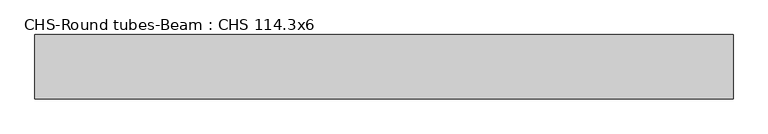
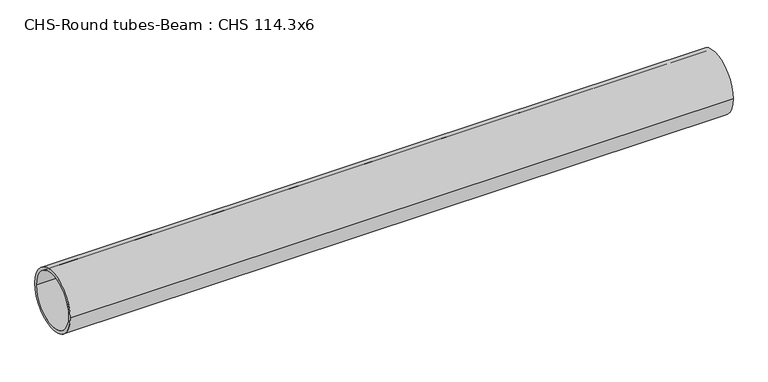
"""IFC4 building model written with IfcOpenShell, lengths in millimetres: beam geometry, CHS-Round tubes-Beam : CHS 114.3x6."""

from ifc_helpers import new_model, si_unit, point, frame, origin, origin_2d, place, context, project, spatial, circle_curve, trimmed, segment, composite_curve, outline, extrude, source, transform, mapped, element, save


def chs_round_tubes_beam_chs_114_3x6_aeca52f9(model_context):
    return source(origin(), model_context, "Body", "SweptSolid", [
        extrude(outline(composite_curve([segment(trimmed(circle_curve(origin_2d(), 57.15), [point((57.15, 0.0))], [point((-57.15, 0.0))], False, "CARTESIAN"), True, "CONTINUOUS"), segment(trimmed(circle_curve(origin_2d(), 57.15), [point((-57.15, 0.0))], [point((57.15, 0.0))], False, "CARTESIAN"), True, "CONTINUOUS")], self_intersect=False), holes=[composite_curve([segment(trimmed(circle_curve(origin_2d(), 51.15), [point((51.15, 0.0))], [point((-51.15, 0.0))], True, "CARTESIAN"), True, "CONTINUOUS"), segment(trimmed(circle_curve(origin_2d(), 51.15), [point((-51.15, 0.0))], [point((51.15, 0.0))], True, "CARTESIAN"), True, "CONTINUOUS")], self_intersect=False)]), frame((-624.9827028, 0.0, 0.0), z_axis=(1.0, 0.0, 0.0), x_axis=(0.0, 1.0, 0.0)), (0.0, 0.0, 1.0), 1238.8787499),
    ])


if __name__ == "__main__":
    model = new_model("IFC4")
    model_context = context("Model", 3, world=origin())
    ifc_project = project(units=[si_unit("LENGTHUNIT", "METRE", prefix="MILLI")], contexts=[model_context])
    site = spatial("IfcSite", under=ifc_project)
    building = spatial("IfcBuilding", under=site)
    placement = place(None, origin())
    chs_round_tubes_beam_chs_114_3x6_shape = chs_round_tubes_beam_chs_114_3x6_aeca52f9(model_context)
    element("IfcBeam", 1, ObjectType="CHS-Round tubes-Beam : CHS 114.3x6", at=placement, inside=building, context=model_context, shape_type="MappedRepresentation", body=[
        mapped(chs_round_tubes_beam_chs_114_3x6_shape, transform((0.0, 0.0, 0.0), x_axis=(1.0, 0.0, 0.0), y_axis=(0.0, 1.0, 0.0), z_axis=(0.0, 0.0, 1.0))),
    ])
    save(model, "model.ifc")
